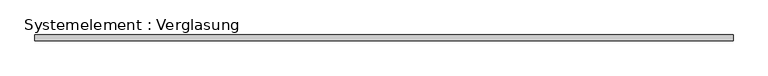
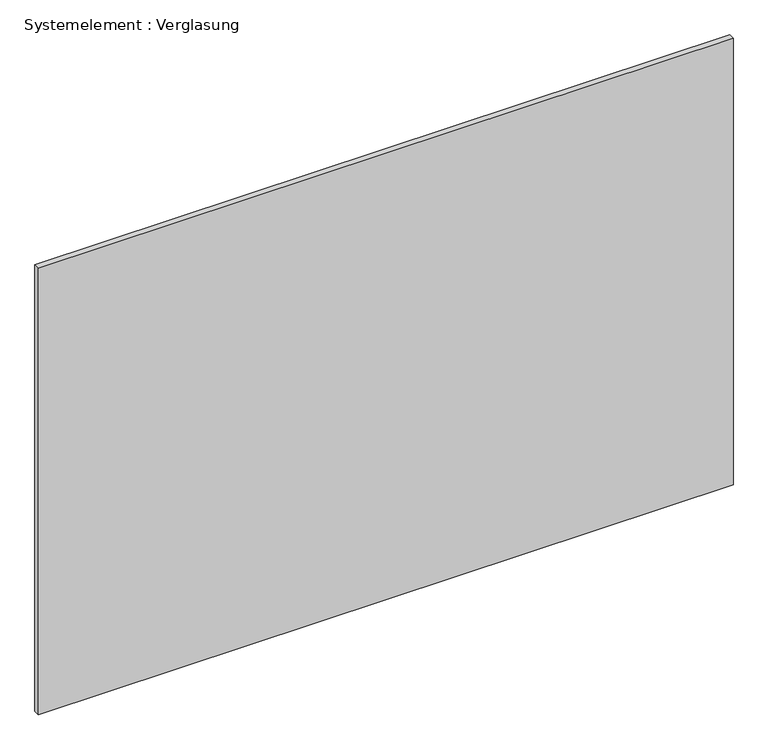
"""IFC4 building model written with IfcOpenShell, lengths in millimetres: plate geometry, Systemelement : Verglasung."""

from ifc_helpers import new_model, si_unit, origin, origin_with_axes, place, context, project, spatial, polyline, outline, extrude, source, transform, mapped, element, save


def systemelement_verglasung_830f5425(model_context):
    return source(origin(), model_context, "Body", "SweptSolid", [
        extrude(outline(polyline([(1774.2455717, -15.0), (-1774.2455717, -15.0), (-1774.2455717, 15.0), (1774.2455717, 15.0), (1774.2455717, -15.0)])), origin_with_axes(), (0.0, 0.0, 1.0), 2410.0),
    ])


if __name__ == "__main__":
    model = new_model("IFC4")
    model_context = context("Model", 3, world=origin())
    ifc_project = project(units=[si_unit("LENGTHUNIT", "METRE", prefix="MILLI")], contexts=[model_context])
    site = spatial("IfcSite", under=ifc_project)
    building = spatial("IfcBuilding", under=site)
    placement = place(None, origin())
    systemelement_verglasung_shape = systemelement_verglasung_830f5425(model_context)
    element("IfcPlate", 1, ObjectType="Systemelement : Verglasung", at=placement, inside=building, context=model_context, shape_type="MappedRepresentation", body=[
        mapped(systemelement_verglasung_shape, transform((0.0, 0.0, 0.0), x_axis=(1.0, 0.0, 0.0), y_axis=(0.0, 1.0, 0.0), z_axis=(0.0, 0.0, 1.0))),
    ])
    save(model, "model.ifc")
